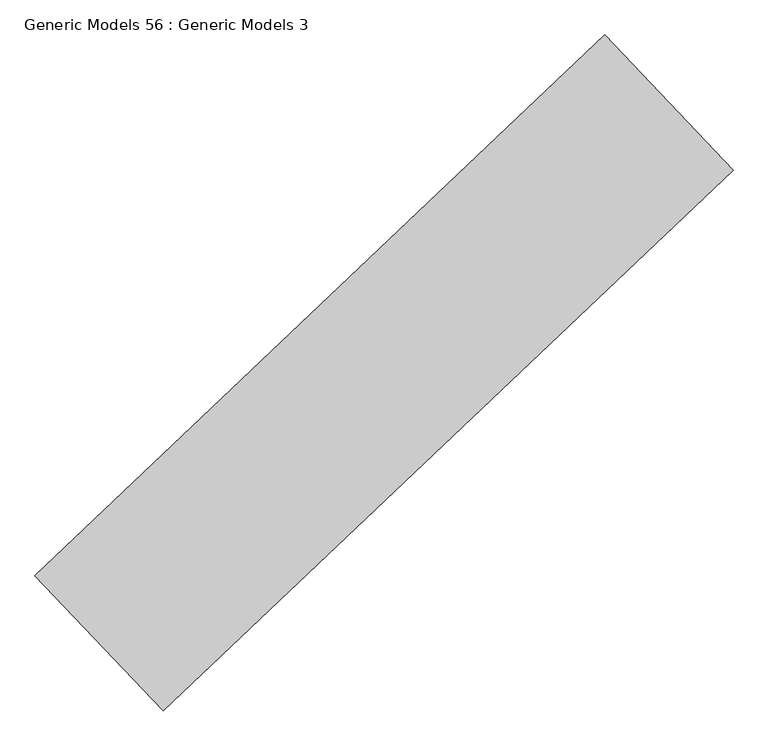
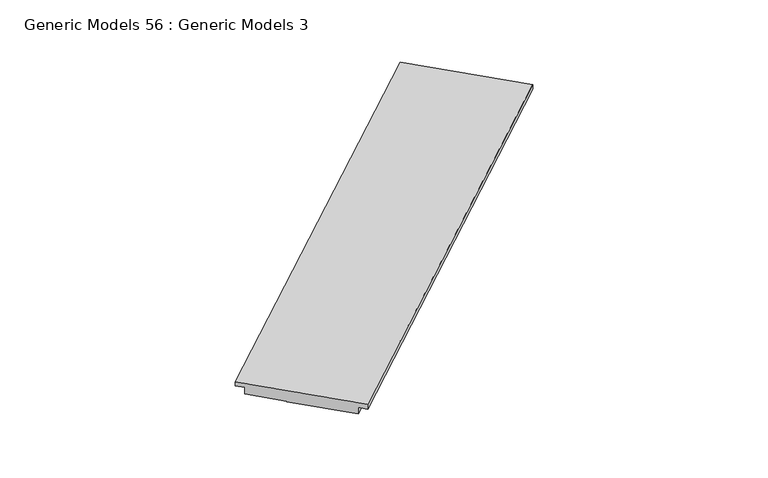
"""IFC4 building model written with IfcOpenShell, lengths in millimetres: proxy geometry, Generic Models 56 : Generic Models 3."""

from ifc_helpers import new_model, si_unit, frame, origin, place, context, project, spatial, polyline, outline, extrude, source, transform, mapped, element, save


def generic_models_56_generic_models_3_a8e72117(model_context):
    return source(origin(), model_context, "Body", "SweptSolid", [
        extrude(outline(polyline([(-1956.8210276, 0.0), (16.3064103, 0.0), (16.3064103, -70.5884296), (-123.3935897, -70.5884296), (-123.3935897, -184.8884296), (-750.4103088, -184.8884296), (-750.4103088, -198.7605039), (-1817.1210277, -198.7605039), (-1817.1210277, -84.4605039), (-1956.8210276, -84.4605039), (-1956.8210276, 0.0)])), frame((108593.6201429, 48736.3223754, 18008.6), z_axis=(0.7253743710122986, 0.6883545756937424, 0.0), x_axis=(-0.6883545756937424, 0.7253743710122986, 0.0)), (0.0, 0.0, 1.0), 8321.675),
    ])


if __name__ == "__main__":
    model = new_model("IFC4")
    model_context = context("Model", 3, world=origin())
    ifc_project = project(units=[si_unit("LENGTHUNIT", "METRE", prefix="MILLI")], contexts=[model_context])
    site = spatial("IfcSite", under=ifc_project)
    building = spatial("IfcBuilding", under=site)
    placement = place(None, origin())
    generic_models_56_generic_models_3_shape = generic_models_56_generic_models_3_a8e72117(model_context)
    element("IfcBuildingElementProxy", 1, Name="Generic Models 56 : Generic Models 3", ObjectType="Generic Models 56 : Generic Models 3", at=placement, inside=building, context=model_context, shape_type="MappedRepresentation", body=[
        mapped(generic_models_56_generic_models_3_shape, transform((0.0, 0.0, 0.0), x_axis=(1.0, 0.0, 0.0), y_axis=(0.0, 1.0, 0.0), z_axis=(0.0, 0.0, 1.0))),
    ])
    save(model, "model.ifc")
